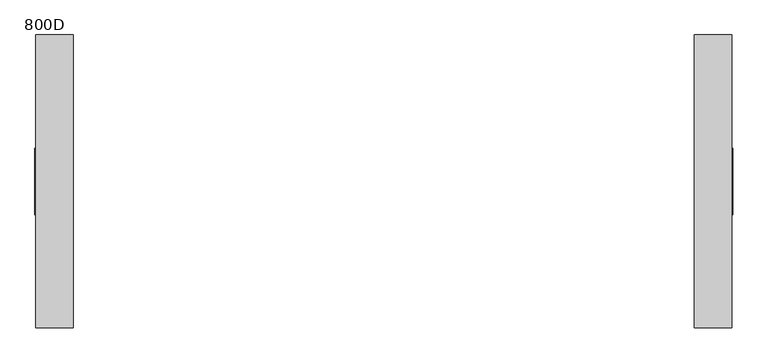
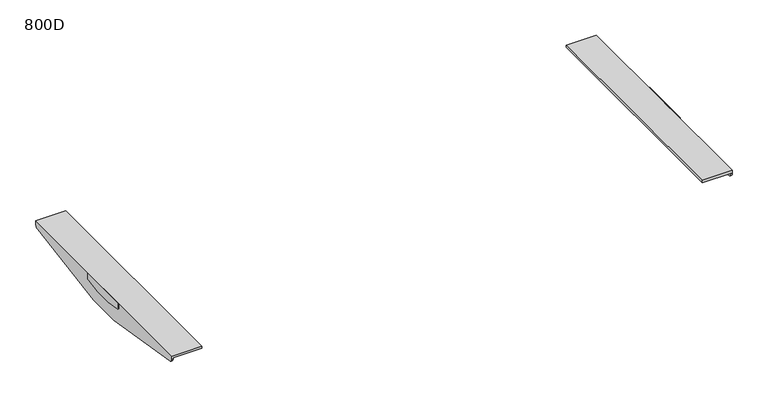
"""IFC4 building model written with IfcOpenShell, lengths in millimetres: furniture geometry, 800D."""

from ifc_helpers import new_model, si_unit, point, frame, frame_2d, origin, place, context, project, spatial, polyline, circle_curve, trimmed, segment, composite_curve, outline, extrude, source, transform, mapped, element, save
from ifc_brep_helpers import plane_surface, cylinder_surface, advanced_brep


def furniture_800d_4a76df96(model_context):
    return source(origin(), model_context, "Body", "SolidModel", [
        advanced_brep(
        [(683.0000006, -287.4963324, 716.0), (610.0000017, -287.4963324, 716.0), (610.0000017, -287.4963324, 710.4999723), (680.0000009, -287.4963324, 710.4999723), (680.0000009, -287.4963324, 708.4998128), (683.0000006, -287.4963324, 708.4998128), (680.0000009, 287.5036993, 710.4999723), (610.0000017, 287.5036993, 710.4999723), (610.0000017, 287.5036993, 716.0), (683.0000006, 287.5036993, 716.0), (683.0000006, 287.5036993, 708.4997591), (680.0000009, 287.5036993, 708.4997591), (680.0000009, 279.1150126, 698.6304207), (680.0000009, 42.5041219, 660.0), (680.0000009, -42.4967459, 660.0), (680.0000009, -279.1076002, 698.6304207), (683.0000006, -279.1076002, 698.6304207), (683.0000006, -42.4967459, 660.0), (683.0000006, 42.5041219, 660.0), (683.0000006, 279.1150126, 698.6304207)],
        [
            (0, 1),
            (1, 2),
            (2, 3),
            (3, 4),
            (4, 5),
            (5, 0),
            (6, 7),
            (7, 8),
            (8, 9),
            (9, 10),
            (10, 11),
            (11, 6),
            (3, 6),
            (11, 12, circle_curve(frame((680.0000009, 277.503689, 708.4997591), z_axis=(-1.0, 0.0, 0.0), x_axis=(0.0, 1.0, 0.0)), 10.0000103)),
            (12, 13),
            (13, 14),
            (14, 15),
            (15, 4, circle_curve(frame((680.0000009, -277.4962677, 708.4998128), z_axis=(-1.0, 0.0, 0.0), x_axis=(0.0, 1.0, 0.0)), 10.0000647)),
            (2, 7),
            (1, 8),
            (0, 9),
            (5, 16, circle_curve(frame((683.0000006, -277.4962677, 708.4998128), z_axis=(1.0, 0.0, 0.0), x_axis=(0.0, 1.0, 0.0)), 10.0000647)),
            (16, 17),
            (17, 18),
            (18, 19),
            (19, 10, circle_curve(frame((683.0000006, 277.503689, 708.4997591), z_axis=(1.0, 0.0, 0.0), x_axis=(0.0, 1.0, 0.0)), 10.0000103)),
            (17, 14),
            (13, 18),
            (12, 19),
            (16, 15),
        ],
        [
            plane_surface(frame((683.0000006, -287.4963324, 660.0), z_axis=(0.0, -1.0, 0.0), x_axis=(1.0, 0.0, 0.0))),
            plane_surface(frame((683.0000006, 287.5036993, 660.0), z_axis=(0.0, 1.0, 0.0), x_axis=(-1.0, 0.0, 0.0))),
            plane_surface(frame((680.0000009, -287.4963324, 710.4999723), z_axis=(-1.0, 0.0, 0.0), x_axis=(0.0, 1.0, 0.0))),
            plane_surface(frame((610.0000017, -287.4963324, 710.4999723), z_axis=(0.0, 0.0, -1.0), x_axis=(0.0, 1.0, 0.0))),
            plane_surface(frame((610.0000017, -287.4963324, 716.0), z_axis=(-1.0, 0.0, 0.0), x_axis=(0.0, 1.0, 0.0))),
            plane_surface(frame((683.0000006, -287.4963324, 716.0), z_axis=(0.0, 0.0, 1.0), x_axis=(0.0, 1.0, 0.0))),
            plane_surface(frame((683.0000006, -287.4963324, 660.0), z_axis=(1.0, 0.0, 0.0), x_axis=(0.0, 1.0, 0.0))),
            plane_surface(frame((680.0000009, -287.4963324, 660.0), z_axis=(0.0, 0.0, -1.0), x_axis=(0.0, 1.0, 0.0))),
            plane_surface(frame((610.0000017, 42.5041219, 660.0), z_axis=(0.0, 0.16113218812194072, -0.9869328335560813), x_axis=(1.0, 0.0, 0.0))),
            cylinder_surface(frame((685.0, 277.503689, 708.4997591), z_axis=(1.0, 0.0, 0.0), x_axis=(0.0, 1.0, 0.0)), 10.0000103),
            plane_surface(frame((610.0000017, -279.1076002, 698.6304207), z_axis=(0.0, -0.16113221222328436, -0.9869328296211605), x_axis=(1.0, 0.0, 0.0))),
            cylinder_surface(frame((1200.0, -277.4962677, 708.4998128), z_axis=(1.0, 0.0, 0.0), x_axis=(0.0, 1.0, 0.0)), 10.0000647),
        ],
        [
            (0, [[1, 2, 3, 4, 5, 6]]),
            (1, [[7, 8, 9, 10, 11, 12]]),
            (2, [[13, -12, 14, 15, 16, 17, 18, -4]]),
            (3, [[-3, 19, -7, -13]]),
            (4, [[-2, 20, -8, -19]]),
            (5, [[-1, 21, -9, -20]]),
            (6, [[-21, -6, 22, 23, 24, 25, 26, -10]]),
            (7, [[-24, 27, -16, 28]]),
            (8, [[29, -25, -28, -15]]),
            (9, [[-29, -14, -11, -26]]),
            (10, [[30, -17, -27, -23]]),
            (11, [[-30, -22, -5, -18]]),
        ],
    ),
        extrude(outline(composite_curve([segment(polyline([(-64.9962871, 716.0), (65.0036994, 716.0), (65.0036994, 705.7477915)]), True, "CONTINUOUS"), segment(trimmed(circle_curve(frame_2d((60.0513722, 705.7477915)), 4.9523271), [point((65.0036994, 705.7477915))], [point((60.8052275, 700.8531775))], False, "CARTESIAN"), True, "CONTINUOUS"), segment(polyline([(60.8052275, 700.8531775), (22.2562903, 694.5405645), (-21.9956935, 694.5405645), (-60.8043191, 700.8134996)]), True, "CONTINUOUS"), segment(trimmed(circle_curve(frame_2d((-59.996269, 705.7477915)), 5.0000181), [point((-60.8043191, 700.8134996))], [point((-64.9962871, 705.7477915))], False, "CARTESIAN"), True, "CONTINUOUS"), segment(polyline([(-64.9962871, 705.7477915), (-64.9962871, 716.0)]), True, "CONTINUOUS")], self_intersect=False)), frame((683.0000006, 0.0, 0.0), z_axis=(1.0, 0.0, 0.0), x_axis=(0.0, 1.0, 0.0)), (0.0, 0.0, 1.0), 1.9999994),
        advanced_brep(
        [(-680.0000009, -287.4963324, 710.4999723), (-610.0000017, -287.4963324, 710.4999723), (-610.0000017, -287.4963324, 716.0), (-683.0000006, -287.4963324, 716.0), (-683.0000006, -287.4963324, 708.4998128), (-680.0000009, -287.4963324, 708.4998128), (-683.0000006, 287.5036993, 716.0), (-610.0000017, 287.5036993, 716.0), (-610.0000017, 287.5036993, 710.4999723), (-680.0000009, 287.5036993, 710.4999723), (-680.0000009, 287.5036993, 708.4997591), (-683.0000006, 287.5036993, 708.4997591), (-680.0000009, -279.1076002, 698.6304207), (-680.0000009, -42.4967459, 660.0), (-680.0000009, 42.5041219, 660.0), (-680.0000009, 279.1150126, 698.6304207), (-683.0000006, 279.1150126, 698.6304207), (-683.0000006, 42.5041219, 660.0), (-683.0000006, -42.4967459, 660.0), (-683.0000006, -279.1076002, 698.6304207)],
        [
            (0, 1),
            (1, 2),
            (2, 3),
            (3, 4),
            (4, 5),
            (5, 0),
            (6, 7),
            (7, 8),
            (8, 9),
            (9, 10),
            (10, 11),
            (11, 6),
            (9, 0),
            (5, 12, circle_curve(frame((-680.0000009, -277.4962677, 708.4998128), z_axis=(1.0, 0.0, 0.0), x_axis=(0.0, 1.0, 0.0)), 10.0000647)),
            (12, 13),
            (13, 14),
            (14, 15),
            (15, 10, circle_curve(frame((-680.0000009, 277.503689, 708.4997591), z_axis=(1.0, 0.0, 0.0), x_axis=(0.0, 1.0, 0.0)), 10.0000103)),
            (8, 1),
            (7, 2),
            (6, 3),
            (11, 16, circle_curve(frame((-683.0000006, 277.503689, 708.4997591), z_axis=(-1.0, 0.0, 0.0), x_axis=(0.0, 1.0, 0.0)), 10.0000103)),
            (16, 17),
            (17, 18),
            (18, 19),
            (19, 4, circle_curve(frame((-683.0000006, -277.4962677, 708.4998128), z_axis=(-1.0, 0.0, 0.0), x_axis=(0.0, 1.0, 0.0)), 10.0000647)),
            (13, 18),
            (17, 14),
            (16, 15),
            (12, 19),
        ],
        [
            plane_surface(frame((-680.0000009, -287.4963324, 660.0), z_axis=(0.0, -1.0, 0.0), x_axis=(0.0, 0.0, 1.0))),
            plane_surface(frame((-680.0000009, 287.5036993, 660.0), z_axis=(0.0, 1.0, 0.0), x_axis=(0.0, 0.0, -1.0))),
            plane_surface(frame((-680.0000009, -287.4963324, 660.0), z_axis=(1.0, 0.0, 0.0), x_axis=(0.0, 1.0, 0.0))),
            plane_surface(frame((-680.0000009, -287.4963324, 710.4999723), z_axis=(0.0, 0.0, -1.0), x_axis=(0.0, 1.0, 0.0))),
            plane_surface(frame((-610.0000017, -287.4963324, 710.4999723), z_axis=(1.0, 0.0, 0.0), x_axis=(0.0, 1.0, 0.0))),
            plane_surface(frame((-610.0000017, -287.4963324, 716.0), z_axis=(0.0, 0.0, 1.0), x_axis=(0.0, 1.0, 0.0))),
            plane_surface(frame((-683.0000006, -287.4963324, 716.0), z_axis=(-1.0, 0.0, 0.0), x_axis=(0.0, 1.0, 0.0))),
            plane_surface(frame((-683.0000006, -287.4963324, 660.0), z_axis=(0.0, 0.0, -1.0), x_axis=(0.0, 1.0, 0.0))),
            plane_surface(frame((-610.0000017, 279.1150126, 698.6304207), z_axis=(0.0, 0.16113218812194124, -0.9869328335560812), x_axis=(-1.0, 0.0, 0.0))),
            cylinder_surface(frame((-683.0000006, 277.503689, 708.4997591), z_axis=(-1.0, 0.0, 0.0), x_axis=(0.0, 1.0, 0.0)), 10.0000103),
            plane_surface(frame((-610.0000017, -42.4967459, 660.0), z_axis=(0.0, -0.16113221222328436, -0.9869328296211605), x_axis=(-1.0, 0.0, 0.0))),
            cylinder_surface(frame((0.0, -277.4962677, 708.4998128), z_axis=(-1.0, 0.0, 0.0), x_axis=(0.0, 1.0, 0.0)), 10.0000647),
        ],
        [
            (0, [[1, 2, 3, 4, 5, 6]]),
            (1, [[7, 8, 9, 10, 11, 12]]),
            (2, [[13, -6, 14, 15, 16, 17, 18, -10]]),
            (3, [[-1, -13, -9, 19]]),
            (4, [[-2, -19, -8, 20]]),
            (5, [[-3, -20, -7, 21]]),
            (6, [[-21, -12, 22, 23, 24, 25, 26, -4]]),
            (7, [[-16, 27, -24, 28]]),
            (8, [[29, -17, -28, -23]]),
            (9, [[-29, -22, -11, -18]]),
            (10, [[30, -25, -27, -15]]),
            (11, [[-30, -14, -5, -26]]),
        ],
    ),
        extrude(outline(composite_curve([segment(polyline([(-64.9962871, 716.0), (65.0036994, 716.0), (65.0036994, 705.7477915)]), True, "CONTINUOUS"), segment(trimmed(circle_curve(frame_2d((60.0513722, 705.7477915)), 4.9523271), [point((65.0036994, 705.7477915))], [point((60.8052275, 700.8531775))], False, "CARTESIAN"), True, "CONTINUOUS"), segment(polyline([(60.8052275, 700.8531775), (22.2562903, 694.5405645), (-21.9956935, 694.5405645), (-60.8043191, 700.8134996)]), True, "CONTINUOUS"), segment(trimmed(circle_curve(frame_2d((-59.996269, 705.7477915)), 5.0000181), [point((-60.8043191, 700.8134996))], [point((-64.9962871, 705.7477915))], False, "CARTESIAN"), True, "CONTINUOUS"), segment(polyline([(-64.9962871, 705.7477915), (-64.9962871, 716.0)]), True, "CONTINUOUS")], self_intersect=False)), frame((-685.0, 0.0, 0.0), z_axis=(1.0, 0.0, 0.0), x_axis=(0.0, 1.0, 0.0)), (0.0, 0.0, 1.0), 1.9999994),
    ])


if __name__ == "__main__":
    model = new_model("IFC4")
    model_context = context("Model", 3, world=origin())
    ifc_project = project(units=[si_unit("LENGTHUNIT", "METRE", prefix="MILLI")], contexts=[model_context])
    site = spatial("IfcSite", under=ifc_project)
    building = spatial("IfcBuilding", under=site)
    placement = place(None, origin())
    furniture_800d_shape = furniture_800d_4a76df96(model_context)
    element("IfcFurniture", 1, ObjectType="800D", at=placement, inside=building, context=model_context, shape_type="MappedRepresentation", body=[
        mapped(furniture_800d_shape, transform((0.0, 0.0, 0.0), x_axis=(1.0, 0.0, 0.0), y_axis=(0.0, 1.0, 0.0), z_axis=(0.0, 0.0, 1.0))),
    ])
    save(model, "model.ifc")
